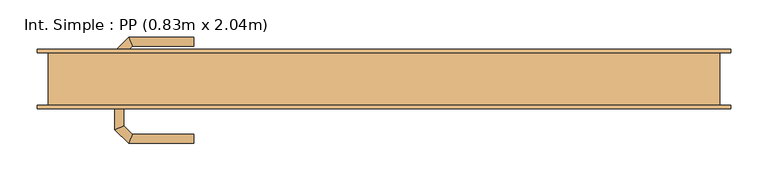
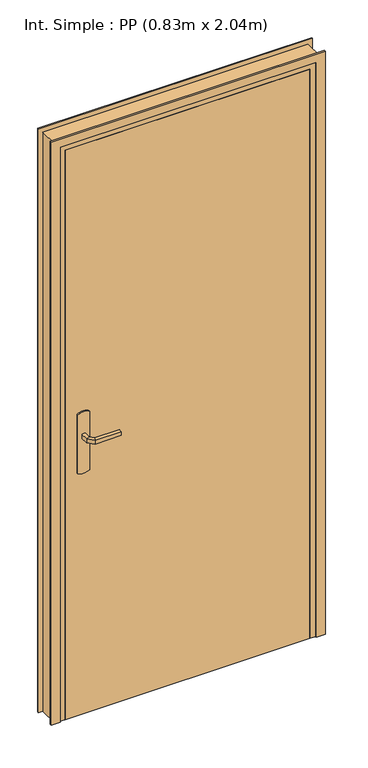
"""IFC4 building model written with IfcOpenShell, lengths in millimetres: door geometry, Int. Simple : PP (0.83m x 2.04m)."""

import ifcopenshell
import ifcopenshell.guid

model = None  # the IFC model being written
_history = None  # IfcOwnerHistory: only IFC2X3 demands one
_inside = {}  # id of a spatial element -> (the spatial element, [elements in it])
_under = {}  # id of a project, library or spatial element -> (it, [spatial elements below it])
_declared = {}  # id of a project -> (the project, [libraries it declares])
_typed = {}  # id of a type object -> (the type object, [elements of that type])
_made_of = {}  # id of a material, layer set ... -> (it, [elements and type objects made of it])


def new_model(schema):
    """Start an empty IFC model of exactly this schema.

    Asked for "IFC4X3", IfcOpenShell would pick the latest addendum, in which some entities
    have other attributes; the version numbers below select the first issue.
    IFC2X3 requires an IfcOwnerHistory on every rooted entity: one is made here for all.
    """
    global model, _history
    if schema == "IFC4X3":
        model = ifcopenshell.file(schema_version=(4, 3, 0, 0))
    else:
        model = ifcopenshell.file(schema=schema)
    _inside.clear()
    _under.clear()
    _declared.clear()
    _typed.clear()
    _made_of.clear()
    _history = None
    if model.schema == "IFC2X3":
        org = make("IfcOrganization", Name="unknown")
        user = make(
            "IfcPersonAndOrganization",
            ThePerson=make("IfcPerson", FamilyName="unknown"),
            TheOrganization=org,
        )
        app = make(
            "IfcApplication",
            ApplicationDeveloper=org,
            Version="unknown",
            ApplicationFullName="unknown",
            ApplicationIdentifier="unknown",
        )
        _history = make(
            "IfcOwnerHistory",
            OwningUser=user,
            OwningApplication=app,
            ChangeAction="ADDED",
            CreationDate=0,
        )
    return model


def make(cls, **values):
    """One entity of the class cls with the attributes given. An attribute that is None is left unset."""
    return model.create_entity(
        cls, **{name: value for name, value in values.items() if value is not None}
    )


def rooted(cls, **values):
    """An entity with a GlobalId (a new one), such as an element, a storey or a relation."""
    return make(cls, GlobalId=ifcopenshell.guid.new(), OwnerHistory=_history, **values)


def si_unit(unit_type, name, prefix=None):
    """IfcSIUnit, for example si_unit("LENGTHUNIT", "METRE", prefix="MILLI")."""
    return make("IfcSIUnit", UnitType=unit_type, Prefix=prefix, Name=name)


def assignment(units):
    """IfcUnitAssignment: the units of a project."""
    return None if units is None else make("IfcUnitAssignment", Units=units)


def point(xyz):
    """IfcCartesianPoint."""
    return None if xyz is None else make("IfcCartesianPoint", Coordinates=xyz)


def direction(xyz):
    """IfcDirection."""
    return None if xyz is None else make("IfcDirection", DirectionRatios=xyz)


def frame(location, z_axis=None, x_axis=None):
    """IfcAxis2Placement3D, a coordinate frame: its origin and axes. An axis left out is left unset."""
    return make(
        "IfcAxis2Placement3D",
        Location=point(location),
        Axis=direction(z_axis),
        RefDirection=direction(x_axis),
    )


def frame_2d(location, x_axis=None):
    """IfcAxis2Placement2D, a coordinate frame in the plane: its origin and x axis."""
    return make(
        "IfcAxis2Placement2D", Location=point(location), RefDirection=direction(x_axis)
    )


def origin():
    """The frame at (0, 0, 0) with its axes left unset."""
    return frame((0.0, 0.0, 0.0))


def origin_with_axes():
    """The frame at (0, 0, 0) with the z axis (0, 0, 1) and the x axis (1, 0, 0) written out."""
    return frame((0.0, 0.0, 0.0), z_axis=(0.0, 0.0, 1.0), x_axis=(1.0, 0.0, 0.0))


def place(relative_to, where):
    """IfcLocalPlacement: puts the frame where relative to a parent placement (None: the world)."""
    return make(
        "IfcLocalPlacement", PlacementRelTo=relative_to, RelativePlacement=where
    )


def context(
    kind, dimensions, precision=None, world=None, true_north=None, identifier=None
):
    """IfcGeometricRepresentationContext, for example the 3D "Model" context."""
    return make(
        "IfcGeometricRepresentationContext",
        ContextIdentifier=identifier,
        ContextType=kind,
        CoordinateSpaceDimension=dimensions,
        Precision=precision,
        WorldCoordinateSystem=world,
        TrueNorth=true_north,
    )


def project(units=None, contexts=None):
    """IfcProject with its units and contexts."""
    return rooted(
        "IfcProject",
        Name="project",
        RepresentationContexts=contexts,
        UnitsInContext=assignment(units),
    )


def spatial(cls, under=None, at=None, **own):
    """A site, building, storey or space (cls), placed at a placement, below another one or the project."""
    s = rooted(cls, ObjectPlacement=at, **own)
    if under is not None:
        _under.setdefault(under.id(), (under, []))[1].append(s)
    return s


def polyline(points):
    """IfcPolyline through the points."""
    return make("IfcPolyline", Points=[point(p) for p in points])


def circle_curve(where, radius):
    """IfcCircle in the frame where."""
    return make("IfcCircle", Position=where, Radius=radius)


def ellipse_curve(where, semi_axis1, semi_axis2):
    """IfcEllipse in the frame where."""
    return make(
        "IfcEllipse", Position=where, SemiAxis1=semi_axis1, SemiAxis2=semi_axis2
    )


def trimmed(basis, trim1, trim2, sense, master):
    """IfcTrimmedCurve: the piece of a basis curve between two trims."""
    return make(
        "IfcTrimmedCurve",
        BasisCurve=basis,
        Trim1=trim1,
        Trim2=trim2,
        SenseAgreement=sense,
        MasterRepresentation=master,
    )


def segment(curve, same_sense, transition):
    """IfcCompositeCurveSegment."""
    return make(
        "IfcCompositeCurveSegment",
        Transition=transition,
        SameSense=same_sense,
        ParentCurve=curve,
    )


def composite_curve(segments, self_intersect=None):
    """IfcCompositeCurve: segments joined end to end."""
    return make("IfcCompositeCurve", Segments=segments, SelfIntersect=self_intersect)


def outline(outer, holes=None, kind="AREA"):
    """IfcArbitraryClosedProfileDef: a profile drawn as a closed curve; with holes, ...WithVoids."""
    if holes is None:
        return make("IfcArbitraryClosedProfileDef", ProfileType=kind, OuterCurve=outer)
    return make(
        "IfcArbitraryProfileDefWithVoids",
        ProfileType=kind,
        OuterCurve=outer,
        InnerCurves=holes,
    )


def extrude(swept, where, along, depth):
    """IfcExtrudedAreaSolid: the profile swept, set in the frame where, extruded along a direction by depth."""
    return make(
        "IfcExtrudedAreaSolid",
        SweptArea=swept,
        Position=where,
        ExtrudedDirection=direction(along),
        Depth=depth,
    )


def faces_of(points, faces, orient=None, outer=None):
    """IfcFace entities. A face is a list of loops; a loop is a list of indices into points, from 0.

    orient and outer hold one flag for each loop. By default every Orientation is true, the
    first loop of a face is its IfcFaceOuterBound and the others are IfcFaceBound.
    """
    made = []
    for i, loops in enumerate(faces):
        bounds = []
        for j, loop in enumerate(loops):
            is_outer = j == 0 if outer is None else outer[i][j]
            bounds.append(
                make(
                    "IfcFaceOuterBound" if is_outer else "IfcFaceBound",
                    Bound=make("IfcPolyLoop", Polygon=[points[k] for k in loop]),
                    Orientation=True if orient is None else orient[i][j],
                )
            )
        made.append(make("IfcFace", Bounds=bounds))
    return made


def faceted_brep(points, faces, orient=None, outer=None, voids=None):
    """IfcFacetedBrep: a solid bounded by flat faces; with voids (closed shells), ...WithVoids."""
    shared = [point(p) for p in points]
    hull = make("IfcClosedShell", CfsFaces=faces_of(shared, faces, orient, outer))
    if voids is None:
        return make("IfcFacetedBrep", Outer=hull)
    return make(
        "IfcFacetedBrepWithVoids",
        Outer=hull,
        Voids=[
            make(cls, CfsFaces=faces_of(shared, fs, o, b)) for cls, fs, o, b in voids
        ],
    )


def shape(context_of_items, identifier, shape_type, items):
    """IfcShapeRepresentation: the items that make up one representation, for example the "Body"."""
    return make(
        "IfcShapeRepresentation",
        ContextOfItems=context_of_items,
        RepresentationIdentifier=identifier,
        RepresentationType=shape_type,
        Items=items,
    )


def source(mapping_origin, context_of_items, identifier, shape_type, items):
    """IfcRepresentationMap: a shape defined once, which mapped items show again and again."""
    return make(
        "IfcRepresentationMap",
        MappingOrigin=mapping_origin,
        MappedRepresentation=shape(context_of_items, identifier, shape_type, items),
    )


def transform(
    local_origin,
    x_axis=None,
    y_axis=None,
    z_axis=None,
    scale=None,
    scale2=None,
    scale3=None,
    uniform=True,
):
    """IfcCartesianTransformationOperator3D, or its non-uniform kind. x_axis, y_axis, z_axis: its Axis1, 2, 3."""
    if uniform:
        return make(
            "IfcCartesianTransformationOperator3D",
            Axis1=direction(x_axis),
            Axis2=direction(y_axis),
            LocalOrigin=point(local_origin),
            Scale=scale,
            Axis3=direction(z_axis),
        )
    return make(
        "IfcCartesianTransformationOperator3DnonUniform",
        Axis1=direction(x_axis),
        Axis2=direction(y_axis),
        LocalOrigin=point(local_origin),
        Scale=scale,
        Axis3=direction(z_axis),
        Scale2=scale2,
        Scale3=scale3,
    )


def mapped(mapping_source, mapping_target):
    """IfcMappedItem: shows the shape of a source again, moved by a transform."""
    return make(
        "IfcMappedItem", MappingSource=mapping_source, MappingTarget=mapping_target
    )


def made_of(thing, what):
    """Note that an element or type object is made of a material, layer set ...; save() writes the relation."""
    if what is not None:
        _made_of.setdefault(what.id(), (what, []))[1].append(thing)
    return thing


def element(
    cls,
    number,
    at=None,
    inside=None,
    cuts=None,
    type_object=None,
    material=None,
    context=None,
    identifier="Body",
    shape_type=None,
    held_by="IfcProductDefinitionShape",
    body=None,
    shapes=None,
    **own,
):
    """One element of the class cls, such as IfcWall. Its Tag is "e" and its number.

    at: its placement. inside: the storey or other place that contains it. cuts: it is an
    opening in that element (IfcRelVoidsElement). A single representation is given by context,
    identifier, shape_type and body (its items); several are given by shapes. held_by: the class
    of the entity that holds the representations. save() writes the other relations.
    """
    e = rooted(cls, Tag="e%d" % number, ObjectPlacement=at, **own)
    if body is not None:
        shapes = [shape(context, identifier, shape_type, body)]
    if shapes is not None:
        e.Representation = make(held_by, Representations=shapes)
    if inside is not None:
        _inside.setdefault(inside.id(), (inside, []))[1].append(e)
    if cuts is not None:
        rooted(
            "IfcRelVoidsElement", RelatingBuildingElement=cuts, RelatedOpeningElement=e
        )
    if type_object is not None:
        _typed.setdefault(type_object.id(), (type_object, []))[1].append(e)
    return made_of(e, material)


def aggregate(whole, parts):
    """IfcRelAggregates: a whole, such as a stair, and the parts it consists of."""
    return rooted("IfcRelAggregates", RelatingObject=whole, RelatedObjects=parts)


def save(model, path):
    """Write the relations noted so far, then the file.

    IfcRelAggregates (storeys below a building ...), IfcRelContainedInSpatialStructure (elements
    in a storey), IfcRelDefinesByType, IfcRelAssociatesMaterial and IfcRelDeclares: one each for
    every whole, place, type object, material and project.
    """
    for whole, parts in _under.values():
        aggregate(whole, parts)
    for where, things in _inside.values():
        rooted(
            "IfcRelContainedInSpatialStructure",
            RelatedElements=things,
            RelatingStructure=where,
        )
    for kind, things in _typed.values():
        rooted("IfcRelDefinesByType", RelatedObjects=things, RelatingType=kind)
    for what, things in _made_of.values():
        rooted("IfcRelAssociatesMaterial", RelatedObjects=things, RelatingMaterial=what)
    for by, libraries in _declared.values():
        rooted("IfcRelDeclares", RelatingContext=by, RelatedDefinitions=libraries)
    model.write(path)


def plane_surface(at):
    """IfcPlane: the flat surface through the origin of the frame at, square to its z axis."""
    return make("IfcPlane", Position=at)


def cylinder_surface(at, radius):
    """IfcCylindricalSurface: all points at the distance radius from the z axis of the frame at."""
    return make("IfcCylindricalSurface", Position=at, Radius=radius)


def advanced_brep(points, edges, surfaces, faces):
    """IfcAdvancedBrep: a solid bounded by faces that lie on surfaces and meet in shared edges.

    An edge is (start, end): straight between two places in points (the first is 0);
    or (start, end, curve); or (start, end, curve, False) where it runs against its curve.
    A face is (place in surfaces, loops), or (place, loops, False) where it looks against
    its surface's normal. A loop lists edges by number (the first is 1), with a minus sign
    where the edge is run from its end to its start. The first loop is the outer one.
    """
    corners = [point(p) for p in points]
    vertices = [make("IfcVertexPoint", VertexGeometry=c) for c in corners]
    made = []
    for start, end, *more in edges:
        made.append(
            make(
                "IfcEdgeCurve",
                EdgeStart=vertices[start],
                EdgeEnd=vertices[end],
                EdgeGeometry=more[0] if more else make("IfcPolyline", Points=[corners[start], corners[end]]),
                SameSense=more[1] if len(more) > 1 else True,
            )
        )
    hull = []
    for where, loops, *sense in faces:
        bounds = []
        for j, loop in enumerate(loops):
            ring = [make("IfcOrientedEdge", EdgeElement=made[abs(k) - 1], Orientation=k > 0) for k in loop]
            bounds.append(
                make(
                    "IfcFaceOuterBound" if j == 0 else "IfcFaceBound",
                    Bound=make("IfcEdgeLoop", EdgeList=ring),
                    Orientation=True,
                )
            )
        hull.append(make("IfcAdvancedFace", Bounds=bounds, FaceSurface=surfaces[where], SameSense=sense[0] if sense else True))
    return make("IfcAdvancedBrep", Outer=make("IfcClosedShell", CfsFaces=hull))


def int_simple_pp_0_83m_x_2_04m_8f139ac8(model_context):
    return source(origin(), model_context, "Body", "SolidModel", [
        extrude(outline(composite_curve([segment(trimmed(circle_curve(frame_2d((904.6410162, -390.0)), 40.0), [point((870.0, -410.0))], [point((870.0, -370.0))], False, "CARTESIAN"), True, "CONTINUOUS"), segment(polyline([(870.0, -370.0), (1080.0, -370.0)]), True, "CONTINUOUS"), segment(trimmed(circle_curve(frame_2d((1045.3589838, -390.0)), 40.0), [point((1080.0, -370.0))], [point((1080.0, -410.0))], False, "CARTESIAN"), True, "CONTINUOUS"), segment(polyline([(1080.0, -410.0), (870.0, -410.0)]), True, "CONTINUOUS")], self_intersect=False)), frame((0.0, -40.0, 0.0), z_axis=(0.0, 1.0, 0.0), x_axis=(0.0, 0.0, 1.0)), (0.0, 0.0, 1.0), 5.0),
        extrude(outline(composite_curve([segment(trimmed(circle_curve(frame_2d((1045.3589838, -390.0)), 40.0), [point((1080.0, -370.0))], [point((1080.0, -410.0))], False, "CARTESIAN"), True, "CONTINUOUS"), segment(polyline([(1080.0, -410.0), (870.0, -410.0)]), True, "CONTINUOUS"), segment(trimmed(circle_curve(frame_2d((904.6410162, -390.0)), 40.0), [point((870.0, -410.0))], [point((870.0, -370.0))], False, "CARTESIAN"), True, "CONTINUOUS"), segment(polyline([(870.0, -370.0), (1080.0, -370.0)]), True, "CONTINUOUS")], self_intersect=False)), frame((0.0, 5.0, 0.0), z_axis=(0.0, 1.0, 0.0), x_axis=(0.0, 0.0, 1.0)), (0.0, 0.0, 1.0), 5.0),
        advanced_brep(
        [(-396.0, -40.0, 1007.0), (-384.0, -40.0, 1007.0), (-384.0, -40.0, 993.0), (-396.0, -40.0, 993.0), (-396.0, -67.6509507, 1007.0), (-384.0, -62.680388, 1007.0), (-384.0, -62.680388, 993.0), (-396.0, -67.6509507, 993.0), (-377.62279, -86.0281607, 1007.0), (-372.6522273, -74.0281607, 1007.0), (-372.6522273, -74.0281607, 993.0), (-377.62279, -86.0281607, 993.0), (-289.9813594, -86.0281607, 1007.0), (-289.9813594, -86.0281607, 993.0), (-289.9813594, -74.0281607, 993.0), (-289.9813594, -74.0281607, 1007.0)],
        [
            (0, 1, circle_curve(frame((-390.0, -40.0, 986.9542278), z_axis=(0.0, 1.0, 0.0), x_axis=(1.0, 0.0, 0.0)), 20.9244589)),
            (1, 2),
            (2, 3, circle_curve(frame((-390.0, -40.0, 1013.0457722), z_axis=(0.0, 1.0, 0.0), x_axis=(1.0, 0.0, 0.0)), 20.9244589)),
            (3, 0),
            (0, 4),
            (4, 5, ellipse_curve(frame((-390.0, -65.1656693, 986.9542278), z_axis=(-0.3826834323651126, 0.9238795325112773, 0.0), x_axis=(0.9238795325112775, 0.38268343236511254, 0.0)), 22.6484711, 20.9244589)),
            (5, 1),
            (5, 6),
            (6, 2),
            (6, 7, ellipse_curve(frame((-390.0, -65.1656693, 1013.0457722), z_axis=(-0.3826834323651126, 0.9238795325112773, 0.0), x_axis=(0.9238795325112775, 0.38268343236511254, 0.0)), 22.6484711, 20.9244589)),
            (7, 3),
            (7, 4),
            (4, 8),
            (8, 9, ellipse_curve(frame((-375.1375086, -80.0281607, 986.9542278), z_axis=(-0.9238795325112962, 0.38268343236506686, 0.0), x_axis=(0.3826834323650665, 0.9238795325112965, 0.0)), 22.6484711, 20.9244589)),
            (9, 5),
            (9, 10),
            (10, 6),
            (10, 11, ellipse_curve(frame((-375.1375086, -80.0281607, 1013.0457722), z_axis=(-0.9238795325112962, 0.38268343236506686, 0.0), x_axis=(0.3826834323650665, 0.9238795325112965, 0.0)), 22.6484711, 20.9244589)),
            (11, 7),
            (11, 8),
            (12, 13),
            (13, 14, circle_curve(frame((-289.9813594, -80.0281607, 1013.0457722), z_axis=(1.0, 0.0, 0.0), x_axis=(0.0, 1.0, 0.0)), 20.9244589)),
            (14, 15),
            (15, 12, circle_curve(frame((-289.9813594, -80.0281607, 986.9542278), z_axis=(1.0, 0.0, 0.0), x_axis=(0.0, 1.0, 0.0)), 20.9244589)),
            (8, 12),
            (15, 9),
            (14, 10),
            (13, 11),
        ],
        [
            plane_surface(frame((-399.2195445, -40.0, 1000.0), z_axis=(0.0, 1.0, 0.0), x_axis=(0.0, 0.0, -1.0))),
            cylinder_surface(frame((-390.0, -40.0, 986.9542278), z_axis=(0.0, 1.0, 0.0), x_axis=(1.0, 0.0, 0.0)), 20.9244589),
            plane_surface(frame((-384.0, -40.0, 1007.0), z_axis=(1.0, 0.0, 0.0), x_axis=(0.0, -1.0, 0.0))),
            cylinder_surface(frame((-390.0, -40.0, 1013.0457722), z_axis=(0.0, 1.0, 0.0), x_axis=(1.0, 0.0, 0.0)), 20.9244589),
            plane_surface(frame((-396.0, -40.0, 993.0), z_axis=(-1.0, 0.0, 0.0), x_axis=(0.0, -1.0, 0.0))),
            cylinder_surface(frame((-390.0, -65.1656693, 986.9542278), z_axis=(-0.7071067811865798, 0.7071067811865152, 0.0), x_axis=(0.7071067811865152, 0.7071067811865798, 0.0)), 20.9244589),
            plane_surface(frame((-384.0, -62.680388, 1007.0), z_axis=(0.7071067811865152, 0.7071067811865799, 0.0), x_axis=(0.7071067811865799, -0.7071067811865152, 0.0))),
            cylinder_surface(frame((-390.0, -65.1656693, 1013.0457722), z_axis=(-0.7071067811865798, 0.7071067811865152, 0.0), x_axis=(0.7071067811865152, 0.7071067811865798, 0.0)), 20.9244589),
            plane_surface(frame((-396.0, -67.6509507, 993.0), z_axis=(-0.7071067811865152, -0.7071067811865799, 0.0), x_axis=(0.7071067811865799, -0.7071067811865152, 0.0))),
            plane_surface(frame((-289.9813594, -80.0281607, 990.7804555), z_axis=(1.0, 0.0, 0.0), x_axis=(0.0, 1.0, 0.0))),
            cylinder_surface(frame((-375.1375086, -80.0281607, 986.9542278), z_axis=(-1.0, 0.0, 0.0), x_axis=(0.0, 1.0, 0.0)), 20.9244589),
            plane_surface(frame((-372.6522273, -74.0281607, 1007.0), z_axis=(0.0, 1.0, 0.0), x_axis=(1.0, 0.0, 0.0))),
            cylinder_surface(frame((-375.1375086, -80.0281607, 1013.0457722), z_axis=(-1.0, 0.0, 0.0), x_axis=(0.0, 1.0, 0.0)), 20.9244589),
            plane_surface(frame((-377.62279, -86.0281607, 993.0), z_axis=(0.0, -1.0, 0.0), x_axis=(1.0, 0.0, 0.0))),
        ],
        [
            (0, [[1, 2, 3, 4]]),
            (1, [[-1, 5, 6, 7]]),
            (2, [[-2, -7, 8, 9]]),
            (3, [[-3, -9, 10, 11]]),
            (4, [[-4, -11, 12, -5]]),
            (5, [[-6, 13, 14, 15]]),
            (6, [[-8, -15, 16, 17]]),
            (7, [[-10, -17, 18, 19]]),
            (8, [[-12, -19, 20, -13]]),
            (9, [[21, 22, 23, 24]]),
            (10, [[-14, 25, -24, 26]]),
            (11, [[-16, -26, -23, 27]]),
            (12, [[-18, -27, -22, 28]]),
            (13, [[-20, -28, -21, -25]]),
        ],
    ),
        advanced_brep(
        [(-384.0, 10.0, 993.0), (-384.0, 10.0, 1007.0), (-396.0, 10.0, 1007.0), (-396.0, 10.0, 993.0), (-384.0, 32.4852045, 993.0), (-384.0, 32.4852045, 1007.0), (-396.0, 37.4557673, 1007.0), (-396.0, 37.4557673, 993.0), (-372.5147186, 43.9704859, 993.0), (-372.5147186, 43.9704859, 1007.0), (-377.4852814, 55.9704859, 1007.0), (-377.4852814, 55.9704859, 993.0), (-289.9542163, 43.9704859, 993.0), (-289.9542163, 55.9704859, 993.0), (-289.9542163, 55.9704859, 1007.0), (-289.9542163, 43.9704859, 1007.0)],
        [
            (0, 1),
            (1, 2, circle_curve(frame((-390.0, 10.0, 986.9542278), z_axis=(0.0, -1.0, 0.0), x_axis=(-1.0, 0.0, 0.0)), 20.9244589)),
            (2, 3),
            (3, 0, circle_curve(frame((-390.0, 10.0, 1013.0457722), z_axis=(0.0, -1.0, 0.0), x_axis=(-1.0, 0.0, 0.0)), 20.9244589)),
            (0, 4),
            (4, 5),
            (5, 1),
            (5, 6, ellipse_curve(frame((-390.0, 34.9704859, 986.9542278), z_axis=(-0.3826834323651055, -0.9238795325112801, 0.0), x_axis=(0.9238795325112799, -0.3826834323651064, 0.0)), 22.6484711, 20.9244589)),
            (6, 2),
            (6, 7),
            (7, 3),
            (7, 4, ellipse_curve(frame((-390.0, 34.9704859, 1013.0457722), z_axis=(-0.3826834323651055, -0.9238795325112801, 0.0), x_axis=(0.9238795325112799, -0.3826834323651064, 0.0)), 22.6484711, 20.9244589)),
            (4, 8),
            (8, 9),
            (9, 5),
            (9, 10, ellipse_curve(frame((-375.0, 49.9704859, 986.9542278), z_axis=(-0.9238795325112932, -0.382683432365074, 0.0), x_axis=(0.3826834323650737, -0.9238795325112934, 0.0)), 22.6484711, 20.9244589)),
            (10, 6),
            (10, 11),
            (11, 7),
            (11, 8, ellipse_curve(frame((-375.0, 49.9704859, 1013.0457722), z_axis=(-0.9238795325112932, -0.382683432365074, 0.0), x_axis=(0.3826834323650737, -0.9238795325112934, 0.0)), 22.6484711, 20.9244589)),
            (12, 13, circle_curve(frame((-289.9542163, 49.9704859, 1013.0457722), z_axis=(1.0, 0.0, 0.0), x_axis=(0.0, 1.0, 0.0)), 20.9244589)),
            (13, 14),
            (14, 15, circle_curve(frame((-289.9542163, 49.9704859, 986.9542278), z_axis=(1.0, 0.0, 0.0), x_axis=(0.0, 1.0, 0.0)), 20.9244589)),
            (15, 12),
            (8, 12),
            (15, 9),
            (14, 10),
            (13, 11),
        ],
        [
            plane_surface(frame((-399.2195445, 10.0, 1000.0), z_axis=(0.0, -1.0, 0.0), x_axis=(0.0, 0.0, 1.0))),
            plane_surface(frame((-384.0, 10.0, 993.0), z_axis=(1.0, 0.0, 0.0), x_axis=(0.0, 1.0, 0.0))),
            cylinder_surface(frame((-390.0, 10.0, 986.9542278), z_axis=(0.0, -1.0, 0.0), x_axis=(-1.0, 0.0, 0.0)), 20.9244589),
            plane_surface(frame((-396.0, 10.0, 1007.0), z_axis=(-1.0, 0.0, 0.0), x_axis=(0.0, 1.0, 0.0))),
            cylinder_surface(frame((-390.0, 10.0, 1013.0457722), z_axis=(0.0, -1.0, 0.0), x_axis=(-1.0, 0.0, 0.0)), 20.9244589),
            plane_surface(frame((-384.0, 32.4852045, 993.0), z_axis=(0.7071067811865208, -0.7071067811865742, 0.0), x_axis=(0.7071067811865742, 0.7071067811865208, 0.0))),
            cylinder_surface(frame((-390.0, 34.9704859, 986.9542278), z_axis=(-0.7071067811865742, -0.7071067811865208, 0.0), x_axis=(-0.7071067811865208, 0.7071067811865742, 0.0)), 20.9244589),
            plane_surface(frame((-396.0, 37.4557673, 1007.0), z_axis=(-0.7071067811865209, 0.7071067811865741, 0.0), x_axis=(0.7071067811865741, 0.7071067811865209, 0.0))),
            cylinder_surface(frame((-390.0, 34.9704859, 1013.0457722), z_axis=(-0.7071067811865742, -0.7071067811865208, 0.0), x_axis=(-0.7071067811865208, 0.7071067811865742, 0.0)), 20.9244589),
            plane_surface(frame((-289.9542163, 49.9704859, 990.7804555), z_axis=(1.0, 0.0, 0.0), x_axis=(0.0, 1.0, 0.0))),
            plane_surface(frame((-372.5147186, 43.9704859, 993.0), z_axis=(0.0, -1.0, 0.0), x_axis=(1.0, 0.0, 0.0))),
            cylinder_surface(frame((-375.0, 49.9704859, 986.9542278), z_axis=(-1.0, 0.0, 0.0), x_axis=(0.0, 1.0, 0.0)), 20.9244589),
            plane_surface(frame((-377.4852814, 55.9704859, 1007.0), z_axis=(0.0, 1.0, 0.0), x_axis=(1.0, 0.0, 0.0))),
            cylinder_surface(frame((-375.0, 49.9704859, 1013.0457722), z_axis=(-1.0, 0.0, 0.0), x_axis=(0.0, 1.0, 0.0)), 20.9244589),
        ],
        [
            (0, [[1, 2, 3, 4]]),
            (1, [[-1, 5, 6, 7]]),
            (2, [[-2, -7, 8, 9]]),
            (3, [[-3, -9, 10, 11]]),
            (4, [[-4, -11, 12, -5]]),
            (5, [[-6, 13, 14, 15]]),
            (6, [[-8, -15, 16, 17]]),
            (7, [[-10, -17, 18, 19]]),
            (8, [[-12, -19, 20, -13]]),
            (9, [[21, 22, 23, 24]]),
            (10, [[-14, 25, -24, 26]]),
            (11, [[-16, -26, -23, 27]]),
            (12, [[-18, -27, -22, 28]]),
            (13, [[-20, -28, -21, -25]]),
        ],
    ),
        extrude(outline(polyline([(-450.0, 5.0), (380.0, 5.0), (380.0, -35.0), (-450.0, -35.0), (-450.0, 5.0)])), origin_with_axes(), (0.0, 0.0, 1.0), 2040.0),
        faceted_brep([(-485.0, -35.0, 0.0), (-485.0, 35.0, 0.0), (-435.0, 35.0, 0.0), (-435.0, 5.0, 0.0), (-450.0, 5.0, 0.0), (-450.0, -35.0, 0.0), (-485.0, -35.0, 2075.0), (-485.0, 35.0, 2075.0), (415.0, 35.0, 2075.0), (415.0, 35.0, 0.0), (365.0, 35.0, 0.0), (365.0, 35.0, 2025.0), (-435.0, 35.0, 2025.0), (-435.0, 5.0, 2025.0), (365.0, 5.0, 2025.0), (365.0, 5.0, 0.0), (380.0, 5.0, 0.0), (380.0, 5.0, 2040.0), (-450.0, 5.0, 2040.0), (-450.0, -35.0, 2040.0), (380.0, -35.0, 2040.0), (380.0, -35.0, 0.0), (415.0, -35.0, 0.0), (415.0, -35.0, 2075.0)], [[[0, 1, 2, 3, 4, 5]], [[1, 0, 6, 7]], [[2, 1, 7, 8, 9, 10, 11, 12]], [[3, 2, 12, 13]], [[4, 3, 13, 14, 15, 16, 17, 18]], [[5, 4, 18, 19]], [[0, 5, 19, 20, 21, 22, 23, 6]], [[8, 23, 22, 9]], [[22, 21, 16, 15, 10, 9]], [[14, 11, 10, 15]], [[20, 17, 16, 21]], [[7, 6, 23, 8]], [[13, 12, 11, 14]], [[19, 18, 17, 20]]]),
        extrude(outline(polyline([(0.0, -500.0), (0.0, -470.0), (2060.0, -470.0), (2060.0, 400.0), (0.0, 400.0), (0.0, 430.0), (2090.0, 430.0), (2090.0, -500.0), (0.0, -500.0)])), frame((0.0, -40.0, 0.0), z_axis=(0.0, 1.0, 0.0), x_axis=(0.0, 0.0, 1.0)), (0.0, 0.0, 1.0), 5.0),
        extrude(outline(polyline([(0.0, -500.0), (0.0, -470.0), (2060.0, -470.0), (2060.0, 400.0), (0.0, 400.0), (0.0, 430.0), (2090.0, 430.0), (2090.0, -500.0), (0.0, -500.0)])), frame((0.0, 35.0, 0.0), z_axis=(0.0, 1.0, 0.0), x_axis=(0.0, 0.0, 1.0)), (0.0, 0.0, 1.0), 5.0),
    ])


if __name__ == "__main__":
    model = new_model("IFC4")
    model_context = context("Model", 3, world=origin())
    ifc_project = project(units=[si_unit("LENGTHUNIT", "METRE", prefix="MILLI")], contexts=[model_context])
    site = spatial("IfcSite", under=ifc_project)
    building = spatial("IfcBuilding", under=site)
    placement = place(None, origin())
    int_simple_pp_0_83m_x_2_04m_shape = int_simple_pp_0_83m_x_2_04m_8f139ac8(model_context)
    element("IfcDoor", 1, ObjectType="Int. Simple : PP (0.83m x 2.04m)", at=placement, inside=building, context=model_context, shape_type="MappedRepresentation", body=[
        mapped(int_simple_pp_0_83m_x_2_04m_shape, transform((0.0, 0.0, 0.0), x_axis=(1.0, 0.0, 0.0), y_axis=(0.0, 1.0, 0.0), z_axis=(0.0, 0.0, 1.0))),
    ])
    save(model, "model.ifc")
